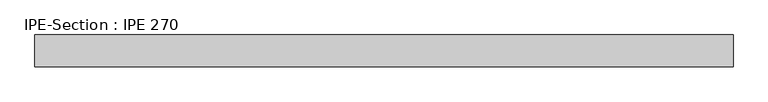
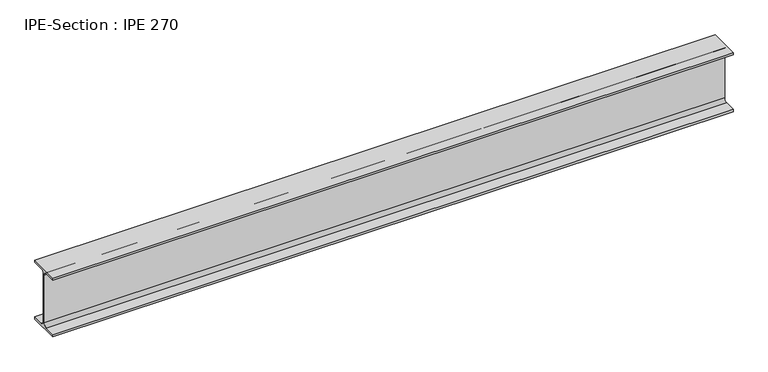
"""IFC4 building model written with IfcOpenShell, lengths in millimetres: beam geometry, IPE-Section : IPE 270."""

from ifc_helpers import new_model, si_unit, point, frame, frame_2d, origin, place, context, project, spatial, polyline, circle_curve, trimmed, segment, composite_curve, outline, extrude, source, transform, mapped, element, save


def ipe_section_ipe_270_75891847(model_context):
    return source(origin(), model_context, "Body", "SweptSolid", [
        extrude(outline(composite_curve([segment(polyline([(-67.5, -124.8), (-18.3, -124.8)]), True, "CONTINUOUS"), segment(trimmed(circle_curve(frame_2d((-18.3, -109.8)), 15.0), [point((-18.3, -124.8))], [point((-3.3, -109.8))], True, "CARTESIAN"), True, "CONTINUOUS"), segment(polyline([(-3.3, -109.8), (-3.3, 109.8)]), True, "CONTINUOUS"), segment(trimmed(circle_curve(frame_2d((-18.3, 109.8)), 15.0), [point((-3.3, 109.8))], [point((-18.3, 124.8))], True, "CARTESIAN"), True, "CONTINUOUS"), segment(polyline([(-18.3, 124.8), (-67.5, 124.8), (-67.5, 135.0), (67.5, 135.0), (67.5, 124.8), (18.3, 124.8)]), True, "CONTINUOUS"), segment(trimmed(circle_curve(frame_2d((18.3, 109.8)), 15.0), [point((18.3, 124.8))], [point((3.3, 109.8))], True, "CARTESIAN"), True, "CONTINUOUS"), segment(polyline([(3.3, 109.8), (3.3, -109.8)]), True, "CONTINUOUS"), segment(trimmed(circle_curve(frame_2d((18.3, -109.8)), 15.0), [point((3.3, -109.8))], [point((18.3, -124.8))], True, "CARTESIAN"), True, "CONTINUOUS"), segment(polyline([(18.3, -124.8), (67.5, -124.8), (67.5, -135.0), (-67.5, -135.0), (-67.5, -124.8)]), True, "CONTINUOUS")], self_intersect=False)), frame((-1476.05, 0.0, 0.0), z_axis=(1.0, 0.0, 0.0), x_axis=(0.0, 1.0, 0.0)), (0.0, 0.0, 1.0), 2952.1),
    ])


if __name__ == "__main__":
    model = new_model("IFC4")
    model_context = context("Model", 3, world=origin())
    ifc_project = project(units=[si_unit("LENGTHUNIT", "METRE", prefix="MILLI")], contexts=[model_context])
    site = spatial("IfcSite", under=ifc_project)
    building = spatial("IfcBuilding", under=site)
    placement = place(None, origin())
    ipe_section_ipe_270_shape = ipe_section_ipe_270_75891847(model_context)
    element("IfcBeam", 1, ObjectType="IPE-Section : IPE 270", at=placement, inside=building, context=model_context, shape_type="MappedRepresentation", body=[
        mapped(ipe_section_ipe_270_shape, transform((0.0, 0.0, 0.0), x_axis=(1.0, 0.0, 0.0), y_axis=(0.0, 1.0, 0.0), z_axis=(0.0, 0.0, 1.0))),
    ])
    save(model, "model.ifc")
